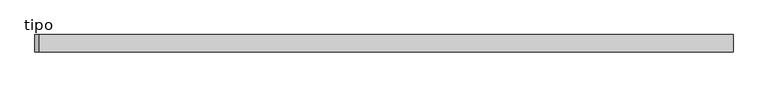
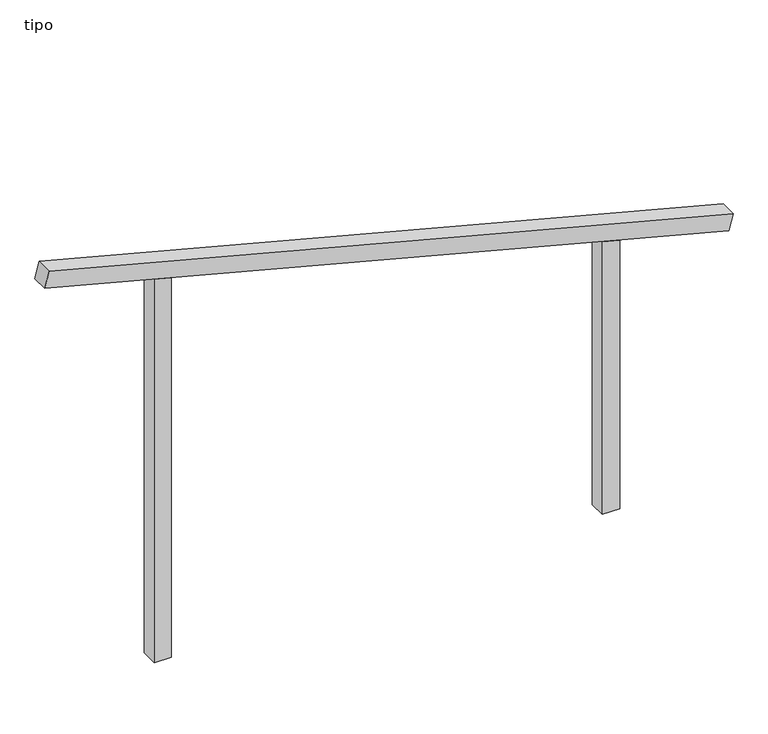
"""IFC4 building model written with IfcOpenShell, lengths in millimetres: proxy geometry, tipo."""

from ifc_helpers import new_model, si_unit, frame, origin, place, context, project, spatial, polyline, outline, extrude, source, transform, mapped, element, save


def tipo_b2660d56(model_context):
    return source(origin(), model_context, "Body", "SweptSolid", [
        extrude(outline(polyline([(0.0, -4099.9999999), (0.0, 0.0), (100.0, 0.0), (100.0, -4099.9999999), (0.0, -4099.9999999)])), frame((-1983.5324948, -100.0, 2517.7826203), z_axis=(0.2525768879637245, 0.0, 0.96757682675153), x_axis=(0.0, 1.0, 0.0)), (0.0, 0.0, 1.0), 100.0),
        extrude(outline(polyline([(1647.5951167, 1350.0), (1673.6991821, 1250.0), (0.0, 1250.0), (0.0, 1350.0), (1647.5951167, 1350.0)])), frame((0.0, -100.0, 0.0), z_axis=(0.0, 1.0, 0.0), x_axis=(0.0, 0.0, 1.0)), (0.0, 0.0, 1.0), 100.0),
        extrude(outline(polyline([(2352.4048833, -1350.0), (0.0, -1350.0), (0.0, -1250.0), (2326.3008179, -1250.0), (2352.4048833, -1350.0)])), frame((0.0, -100.0, 0.0), z_axis=(0.0, 1.0, 0.0), x_axis=(0.0, 0.0, 1.0)), (0.0, 0.0, 1.0), 100.0),
    ])


if __name__ == "__main__":
    model = new_model("IFC4")
    model_context = context("Model", 3, world=origin())
    ifc_project = project(units=[si_unit("LENGTHUNIT", "METRE", prefix="MILLI")], contexts=[model_context])
    site = spatial("IfcSite", under=ifc_project)
    building = spatial("IfcBuilding", under=site)
    placement = place(None, origin())
    tipo_shape = tipo_b2660d56(model_context)
    element("IfcBuildingElementProxy", 1, Name="tipo", ObjectType="tipo", at=placement, inside=building, context=model_context, shape_type="MappedRepresentation", body=[
        mapped(tipo_shape, transform((0.0, 0.0, 0.0), x_axis=(1.0, 0.0, 0.0), y_axis=(0.0, 1.0, 0.0), z_axis=(0.0, 0.0, 1.0))),
    ])
    save(model, "model.ifc")
